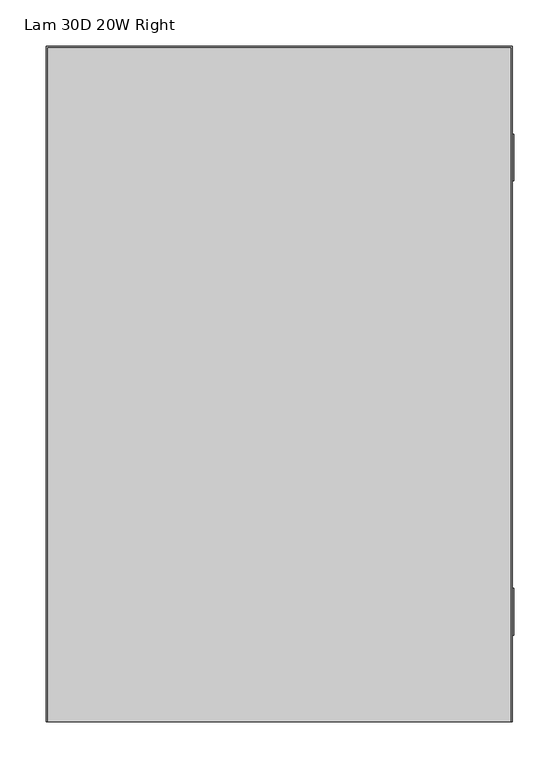
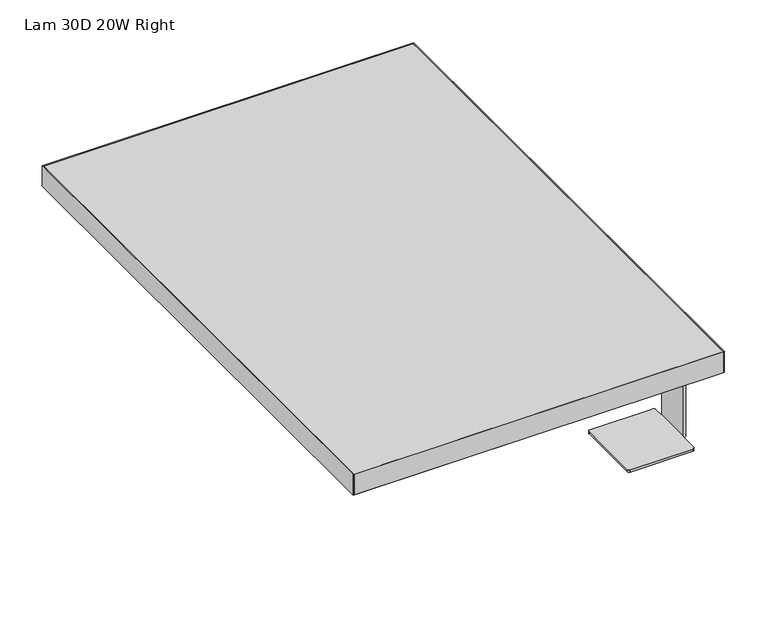
"""IFC4 building model written with IfcOpenShell, lengths in millimetres: furniture geometry, Lam 30D 20W Right."""

from ifc_helpers import new_model, si_unit, frame, origin, place, context, project, spatial, polyline, circle_curve, outline, extrude, source, transform, mapped, element, save
from ifc_brep_helpers import plane_surface, cylinder_surface, revolved_surface, advanced_brep


def lam_30d_20w_right_363a318d(model_context):
    return source(origin(), model_context, "Body", "SolidModel", [
        extrude(outline(polyline([(504.8884893, -26.9875008), (504.8884893, -757.3518008), (3.1115, -757.3518008), (3.1115, -26.9875008), (504.8884893, -26.9875008)])), frame((0.0, 0.0, 706.7263378), z_axis=(0.0, 0.0, 1.0), x_axis=(1.0, 0.0, 0.0)), (0.0, 0.0, 1.0), 29.8736864),
        extrude(outline(polyline([(1.524, -757.3518008), (1.524, -25.4000008), (506.4759893, -25.4000008), (506.4759893, -757.3518008), (1.524, -757.3518008)]), holes=[polyline([(504.8884893, -755.7643008), (504.8884893, -26.9875008), (3.1115, -26.9875008), (3.1115, -755.7643008), (504.8884893, -755.7643008)])]), frame((0.0, 0.0, 707.0090242), z_axis=(0.0, 0.0, 1.0), x_axis=(1.0, 0.0, 0.0)), (0.0, 0.0, 1.0), 29.591),
        advanced_brep(
        [(504.1645893, -171.45, 555.3710063), (508.1015893, -171.45, 559.3080063), (508.1015893, -171.45, 702.7893378), (504.1645893, -171.45, 706.7263378), (504.150075, -171.45, 702.9958242), (504.9265894, -171.45, 702.9958242), (504.9265894, -171.45, 558.5459942), (504.150075, -171.45, 558.5459942), (504.9265894, -120.650003, 558.5459942), (504.9265894, -120.650003, 702.9958242), (455.0727407, -120.650003, 702.9958242), (455.0727407, -120.650003, 706.7263378), (504.1645893, -120.650003, 706.7263378), (508.1015893, -120.650003, 702.7893378), (508.1015893, -120.650003, 559.3080063), (504.1645893, -120.650003, 555.3710063), (504.150075, -120.650003, 558.5459942), (504.150075, -107.9529029, 558.5459942), (500.9661481, -104.7691943, 558.5459942), (416.3057698, -104.775, 558.5459942), (413.1309875, -107.95, 558.5459942), (413.1309875, -196.85, 558.5459942), (416.3059875, -200.025, 558.5459942), (500.975075, -200.025, 558.5459942), (504.150075, -196.85, 558.5459942), (504.150075, -183.35498, 702.9958242), (503.3550551, -184.1500061, 702.9958242), (483.4896959, -184.1500061, 702.9958242), (482.7196461, -183.548771, 702.9958242), (479.6789899, -171.45, 702.9958242), (479.6789899, -146.3042822, 702.9958242), (473.3289892, -146.3042822, 702.9958242), (473.3289892, -171.45, 702.9958242), (470.3202644, -183.548771, 702.9958242), (469.5502147, -184.1500061, 702.9958242), (455.0887064, -184.1500061, 702.9958242), (454.2789892, -183.35625, 702.9958242), (454.2789892, -121.44375, 702.9958242), (454.2789892, -121.44375, 706.7263378), (454.2789892, -183.35625, 706.7263378), (455.0887064, -184.1500061, 706.7263378), (469.5502147, -184.1500061, 706.7263378), (470.3202644, -183.548771, 706.7263378), (473.3289892, -171.45, 706.7263378), (473.3289892, -146.3042822, 706.7263378), (479.6789899, -146.3042822, 706.7263378), (479.6789899, -171.45, 706.7263378), (482.7196461, -183.548771, 706.7263378), (483.4896959, -184.1500061, 706.7263378), (503.3550551, -184.1500061, 706.7263378), (504.150075, -183.35498, 706.7263378), (504.150075, -196.85, 555.3710063), (500.975075, -200.025, 555.3710063), (416.3059875, -200.025, 555.3710063), (413.1309875, -196.85, 555.3710063), (413.1309875, -107.95, 555.3710063), (416.3057698, -104.775, 555.3710063), (500.9661481, -104.7691943, 555.3710063), (504.150075, -107.9529029, 555.3710063)],
        [
            (0, 1, circle_curve(frame((504.1645893, -171.45, 559.3080063), z_axis=(0.0, -1.0, 0.0), x_axis=(0.0, 0.0, 1.0)), 3.937)),
            (1, 2),
            (2, 3, circle_curve(frame((504.1645893, -171.45, 702.7893378), z_axis=(0.0, -1.0, 0.0), x_axis=(0.0, 0.0, 1.0)), 3.937)),
            (3, 4),
            (4, 5),
            (5, 6),
            (6, 7),
            (7, 0),
            (8, 9),
            (9, 10),
            (10, 11),
            (11, 12),
            (12, 13, circle_curve(frame((504.1645893, -120.650003, 702.7893378), z_axis=(0.0, 1.0, 0.0), x_axis=(0.0, 0.0, 1.0)), 3.937)),
            (13, 14),
            (14, 15, circle_curve(frame((504.1645893, -120.650003, 559.3080063), z_axis=(0.0, 1.0, 0.0), x_axis=(0.0, 0.0, 1.0)), 3.937)),
            (15, 16),
            (16, 8),
            (6, 8),
            (16, 17),
            (17, 18, circle_curve(frame((500.9663664, -107.9529029, 558.5459942), z_axis=(0.0, 0.0, 1.0), x_axis=(-1.0, 0.0, 0.0)), 3.1837086)),
            (18, 19),
            (19, 20, circle_curve(frame((416.3059875, -107.95, 558.5459942), z_axis=(0.0, 0.0, 1.0), x_axis=(-1.0, 0.0, 0.0)), 3.175)),
            (20, 21),
            (21, 22, circle_curve(frame((416.3059875, -196.85, 558.5459942), z_axis=(0.0, 0.0, 1.0), x_axis=(-1.0, 0.0, 0.0)), 3.175)),
            (22, 23),
            (23, 24, circle_curve(frame((500.975075, -196.85, 558.5459942), z_axis=(0.0, 0.0, 1.0), x_axis=(-1.0, 0.0, 0.0)), 3.175)),
            (24, 7),
            (5, 9),
            (4, 25),
            (25, 26),
            (26, 27),
            (27, 28),
            (28, 29),
            (29, 30),
            (30, 31, circle_curve(frame((476.5039895, -146.3042822, 702.9958242), z_axis=(0.0, 0.0, 1.0), x_axis=(-1.0, 0.0, 0.0)), 3.1750004)),
            (31, 32),
            (32, 33),
            (33, 34),
            (34, 35),
            (35, 36),
            (36, 37),
            (37, 10),
            (11, 38),
            (38, 39),
            (39, 40),
            (40, 41),
            (41, 42),
            (42, 43),
            (43, 44),
            (44, 45, circle_curve(frame((476.5039895, -146.3042822, 706.7263378), z_axis=(0.0, 0.0, -1.0), x_axis=(-1.0, 0.0, 0.0)), 3.1750004)),
            (45, 46),
            (46, 47),
            (47, 48),
            (48, 49),
            (49, 50),
            (50, 3),
            (3, 12),
            (2, 13),
            (1, 14),
            (0, 15),
            (0, 51),
            (51, 52, circle_curve(frame((500.975075, -196.85, 555.3710063), z_axis=(0.0, 0.0, -1.0), x_axis=(-1.0, 0.0, 0.0)), 3.175)),
            (52, 53),
            (53, 54, circle_curve(frame((416.3059875, -196.85, 555.3710063), z_axis=(0.0, 0.0, -1.0), x_axis=(-1.0, 0.0, 0.0)), 3.175)),
            (54, 55),
            (55, 56, circle_curve(frame((416.3059875, -107.95, 555.3710063), z_axis=(0.0, 0.0, -1.0), x_axis=(-1.0, 0.0, 0.0)), 3.175)),
            (56, 57),
            (57, 58, circle_curve(frame((500.9663664, -107.9529029, 555.3710063), z_axis=(0.0, 0.0, -1.0), x_axis=(-1.0, 0.0, 0.0)), 3.1837086)),
            (58, 15),
            (18, 57),
            (56, 19),
            (55, 20),
            (54, 21),
            (53, 22),
            (52, 23),
            (51, 24),
            (58, 17),
            (50, 25),
            (37, 38),
            (36, 39),
            (35, 40),
            (34, 41),
            (33, 42),
            (32, 43),
            (31, 44),
            (30, 45),
            (29, 46),
            (28, 47),
            (27, 48),
            (26, 49),
        ],
        [
            plane_surface(frame((492.2265894, -171.45, 555.3710063), z_axis=(0.0, -1.0, 0.0), x_axis=(0.0, 0.0, -1.0))),
            plane_surface(frame((492.2265894, -120.650003, 555.3710063), z_axis=(0.0, 1.0, 0.0), x_axis=(0.0, 0.0, 1.0))),
            plane_surface(frame((504.9265894, -171.45, 558.5459942), z_axis=(0.0, 0.0, 1.0), x_axis=(0.0, 1.0, 0.0))),
            plane_surface(frame((504.9265894, -171.45, 702.9958242), z_axis=(-1.0, 0.0, 0.0), x_axis=(0.0, 1.0, 0.0))),
            plane_surface(frame((492.2265894, -171.45, 702.9958242), z_axis=(0.0, 0.0, -1.0), x_axis=(0.0, 1.0, 0.0))),
            plane_surface(frame((504.1645893, -171.45, 706.7263378), z_axis=(-1.2472292751600584e-12, 0.0, 1.0), x_axis=(0.0, 1.0, 0.0))),
            cylinder_surface(frame((504.1645893, -120.650003, 702.7893378), z_axis=(0.0, -1.0, 0.0), x_axis=(0.0, 0.0, 1.0)), 3.937),
            plane_surface(frame((508.1015893, -171.45, 559.3080063), z_axis=(1.0, 0.0, 0.0), x_axis=(0.0, 1.0, 0.0))),
            cylinder_surface(frame((504.1645893, -120.650003, 559.3080063), z_axis=(0.0, -1.0, 0.0), x_axis=(0.0, 0.0, 1.0)), 3.937),
            plane_surface(frame((492.2265894, -171.45, 555.3710063), z_axis=(0.0, 0.0, -1.0), x_axis=(0.0, 1.0, 0.0))),
            plane_surface(frame((500.9661481, -104.7691943, 558.5459942), z_axis=(-6.85765793453914e-05, 0.9999999976486265, 0.0), x_axis=(0.0, 0.0, -1.0))),
            cylinder_surface(frame((416.3059875, -107.95, 555.3710063), z_axis=(0.0, 0.0, 1.0), x_axis=(-1.0, 0.0, 0.0)), 3.175),
            plane_surface(frame((413.1309875, -107.95, 558.5459942), z_axis=(-1.0, 0.0, 0.0), x_axis=(0.0, 0.0, -1.0))),
            cylinder_surface(frame((416.3059875, -196.85, 555.3710063), z_axis=(0.0, 0.0, 1.0), x_axis=(-1.0, 0.0, 0.0)), 3.175),
            plane_surface(frame((416.3059875, -200.025, 558.5459942), z_axis=(0.0, -1.0, 0.0), x_axis=(0.0, 0.0, -1.0))),
            cylinder_surface(frame((500.975075, -196.85, 555.3710063), z_axis=(0.0, 0.0, 1.0), x_axis=(-1.0, 0.0, 0.0)), 3.175),
            plane_surface(frame((504.150075, -196.85, 558.5459942), z_axis=(1.0, 0.0, 0.0), x_axis=(0.0, 0.0, -1.0))),
            plane_surface(frame((504.150075, -120.650003, 558.5459942), z_axis=(1.0, 0.0, 0.0), x_axis=(0.0, 0.0, -1.0))),
            cylinder_surface(frame((500.9663664, -107.9529029, 555.3710063), z_axis=(0.0, 0.0, 1.0), x_axis=(-1.0, 0.0, 0.0)), 3.1837086),
            plane_surface(frame((504.150075, -183.35498, 706.7263378), z_axis=(1.0, 0.0, 0.0), x_axis=(0.0, 0.0, -1.0))),
            plane_surface(frame((455.0727407, -120.650003, 706.7263378), z_axis=(-0.7071047581329958, 0.7071088042343114, 0.0), x_axis=(0.0, 0.0, -1.0))),
            plane_surface(frame((454.2789892, -121.44375, 706.7263378), z_axis=(-1.0, 0.0, 0.0), x_axis=(0.0, 0.0, -1.0))),
            plane_surface(frame((454.2789892, -183.35625, 706.7263378), z_axis=(-0.7000334660081797, -0.7141100380673658, 0.0), x_axis=(0.0, 0.0, -1.0))),
            plane_surface(frame((455.0887064, -184.1500061, 706.7263378), z_axis=(0.0, -1.0, 0.0), x_axis=(0.0, 0.0, -1.0))),
            plane_surface(frame((469.5502147, -184.1500061, 706.7263378), z_axis=(0.6154112116971221, -0.7882062170000185, 0.0), x_axis=(0.0, 0.0, -1.0))),
            plane_surface(frame((470.3202644, -183.548771, 706.7263378), z_axis=(0.9704431145428508, -0.24132998453646706, 0.0), x_axis=(0.0, 0.0, -1.0))),
            plane_surface(frame((473.3289892, -171.45, 706.7263378), z_axis=(1.0, 0.0, 0.0), x_axis=(0.0, 0.0, -1.0))),
            revolved_surface(polyline([(473.3289891, -146.3042822, 702.9958242), (473.3289891, -146.3042822, 706.7263378)]), (476.5039895, -146.3042822, 702.9958242), (0.0, 0.0, -1.0)),
            plane_surface(frame((479.6789899, -146.3042822, 706.7263378), z_axis=(-1.0, 0.0, 0.0), x_axis=(0.0, 0.0, -1.0))),
            plane_surface(frame((479.6789899, -171.45, 706.7263378), z_axis=(-0.9698406620150964, -0.24373980040633414, 0.0), x_axis=(0.0, 0.0, -1.0))),
            plane_surface(frame((482.7196461, -183.548771, 706.7263378), z_axis=(-0.6154112116971866, -0.7882062169999681, 0.0), x_axis=(0.0, 0.0, -1.0))),
            plane_surface(frame((483.4896959, -184.1500061, 706.7263378), z_axis=(0.0, -1.0, 0.0), x_axis=(0.0, 0.0, -1.0))),
            plane_surface(frame((503.3550551, -184.1500061, 706.7263378), z_axis=(0.7071094996427767, -0.7071040627198674, 0.0), x_axis=(0.0, 0.0, -1.0))),
        ],
        [
            (0, [[1, 2, 3, 4, 5, 6, 7, 8]]),
            (1, [[9, 10, 11, 12, 13, 14, 15, 16, 17]]),
            (2, [[18, -17, 19, 20, 21, 22, 23, 24, 25, 26, 27, -7]]),
            (3, [[-6, 28, -9, -18]]),
            (4, [[-10, -28, -5, 29, 30, 31, 32, 33, 34, 35, 36, 37, 38, 39, 40, 41, 42]]),
            (5, [[-12, 43, 44, 45, 46, 47, 48, 49, 50, 51, 52, 53, 54, 55, 56, 57]]),
            (6, [[-3, 58, -13, -57]]),
            (7, [[-2, 59, -14, -58]]),
            (8, [[-1, 60, -15, -59]]),
            (9, [[-60, 61, 62, 63, 64, 65, 66, 67, 68, 69]]),
            (10, [[-21, 70, -67, 71]]),
            (11, [[-22, -71, -66, 72]]),
            (12, [[-23, -72, -65, 73]]),
            (13, [[-24, -73, -64, 74]]),
            (14, [[-25, -74, -63, 75]]),
            (15, [[-26, -75, -62, 76]]),
            (16, [[-27, -76, -61, -8]]),
            (17, [[-19, -16, -69, 77]]),
            (18, [[-20, -77, -68, -70]]),
            (19, [[-56, 78, -29, -4]]),
            (20, [[-43, -11, -42, 79]]),
            (21, [[-44, -79, -41, 80]]),
            (22, [[-45, -80, -40, 81]]),
            (23, [[-46, -81, -39, 82]]),
            (24, [[-47, -82, -38, 83]]),
            (25, [[-48, -83, -37, 84]]),
            (26, [[-49, -84, -36, 85]]),
            (27, [[-50, -85, -35, 86]]),
            (28, [[-51, -86, -34, 87]]),
            (29, [[-52, -87, -33, 88]]),
            (30, [[-53, -88, -32, 89]]),
            (31, [[-54, -89, -31, 90]]),
            (32, [[-55, -90, -30, -78]]),
        ],
    ),
        advanced_brep(
        [(416.3059875, -692.2769787, 558.5459942), (500.9218446, -692.2769787, 558.5459942), (504.0968333, -689.1104453, 558.5459942), (504.1645893, -663.7019787, 558.5459942), (504.9265894, -663.7019787, 558.5459942), (504.9265894, -612.9020271, 558.5459942), (504.1645893, -612.9020271, 558.5459942), (504.1645893, -600.2019787, 558.5459942), (500.9895893, -597.0269787, 558.5459942), (416.3059875, -597.0269787, 558.5459942), (413.1309875, -600.2019787, 558.5459942), (413.1309875, -689.1019787, 558.5459942), (504.1645893, -676.4020029, 702.9958242), (482.8539984, -676.4020029, 702.9958242), (479.6789899, -663.7019787, 702.9958242), (479.6789899, -638.6130375, 702.9958242), (473.3289892, -638.6130375, 702.9958242), (473.3289892, -663.7019787, 702.9958242), (470.1539807, -676.4020029, 702.9958242), (455.0727407, -676.4020029, 702.9958242), (454.2789892, -675.6082287, 702.9958242), (454.2789892, -613.6957786, 702.9958242), (455.0727407, -612.9020271, 702.9958242), (504.9265894, -612.9020271, 702.9958242), (504.9265894, -663.7019787, 702.9958242), (504.1645893, -663.7019787, 702.9958242), (455.0727407, -612.9020271, 706.7263378), (454.2789892, -613.6957786, 706.7263378), (454.2789892, -675.6082287, 706.7263378), (455.0727407, -676.4020029, 706.7263378), (470.1539807, -676.4020029, 706.7263378), (473.3289892, -663.7019787, 706.7263378), (473.3289892, -638.6130375, 706.7263378), (479.6789899, -638.6130375, 706.7263378), (479.6789899, -663.7019787, 706.7263378), (482.8539984, -676.4020029, 706.7263378), (504.1645893, -676.4020029, 706.7263378), (504.1645893, -663.7019787, 706.7263378), (504.1645893, -612.9020271, 706.7263378), (416.3059875, -692.2769787, 555.3710063), (413.1309875, -689.1019787, 555.3710063), (413.1309875, -600.2019787, 555.3710063), (416.3059875, -597.0269787, 555.3710063), (500.9895893, -597.0269787, 555.3710063), (504.1645893, -600.2019787, 555.3710063), (504.1645893, -612.9020271, 555.3710063), (504.1645893, -663.7019787, 555.3710063), (504.0968333, -689.1104453, 555.3710063), (500.9218446, -692.2769787, 555.3710063), (508.1015893, -663.7019787, 559.3080063), (508.1015893, -663.7019787, 702.7893378), (508.1015893, -612.9020271, 702.7893378), (508.1015893, -612.9020271, 559.3080063)],
        [
            (0, 1),
            (1, 2, circle_curve(frame((500.9218446, -689.1019787, 558.5459942), z_axis=(0.0, 0.0, 1.0), x_axis=(-1.0, 0.0, 0.0)), 3.175)),
            (2, 3),
            (3, 4),
            (4, 5),
            (5, 6),
            (6, 7),
            (7, 8, circle_curve(frame((500.9895893, -600.2019787, 558.5459942), z_axis=(0.0, 0.0, 1.0), x_axis=(-1.0, 0.0, 0.0)), 3.175)),
            (8, 9),
            (9, 10, circle_curve(frame((416.3059875, -600.2019787, 558.5459942), z_axis=(0.0, 0.0, 1.0), x_axis=(-1.0, 0.0, 0.0)), 3.175)),
            (10, 11),
            (11, 0, circle_curve(frame((416.3059875, -689.1019787, 558.5459942), z_axis=(0.0, 0.0, 1.0), x_axis=(-1.0, 0.0, 0.0)), 3.175)),
            (12, 13),
            (13, 14),
            (14, 15),
            (15, 16, circle_curve(frame((476.5039895, -638.6130375, 702.9958242), z_axis=(0.0, 0.0, 1.0), x_axis=(-1.0, 0.0, 0.0)), 3.1750004)),
            (16, 17),
            (17, 18),
            (18, 19),
            (19, 20),
            (20, 21),
            (21, 22),
            (22, 23),
            (23, 24),
            (24, 25),
            (25, 12),
            (26, 27),
            (27, 28),
            (28, 29),
            (29, 30),
            (30, 31),
            (31, 32),
            (32, 33, circle_curve(frame((476.5039895, -638.6130375, 706.7263378), z_axis=(0.0, 0.0, -1.0), x_axis=(-1.0, 0.0, 0.0)), 3.1750004)),
            (33, 34),
            (34, 35),
            (35, 36),
            (36, 37),
            (37, 38),
            (38, 26),
            (39, 40, circle_curve(frame((416.3059875, -689.1019787, 555.3710063), z_axis=(0.0, 0.0, -1.0), x_axis=(-1.0, 0.0, 0.0)), 3.175)),
            (40, 41),
            (41, 42, circle_curve(frame((416.3059875, -600.2019787, 555.3710063), z_axis=(0.0, 0.0, -1.0), x_axis=(-1.0, 0.0, 0.0)), 3.175)),
            (42, 43),
            (43, 44, circle_curve(frame((500.9895893, -600.2019787, 555.3710063), z_axis=(0.0, 0.0, -1.0), x_axis=(-1.0, 0.0, 0.0)), 3.175)),
            (44, 45),
            (45, 46),
            (46, 47),
            (47, 48, circle_curve(frame((500.9218446, -689.1019787, 555.3710063), z_axis=(0.0, 0.0, -1.0), x_axis=(-1.0, 0.0, 0.0)), 3.175)),
            (48, 39),
            (0, 39),
            (48, 1),
            (47, 2),
            (46, 3),
            (6, 45),
            (44, 7),
            (43, 8),
            (42, 9),
            (41, 10),
            (40, 11),
            (46, 49, circle_curve(frame((504.1645893, -663.7019787, 559.3080063), z_axis=(0.0, -1.0, 0.0), x_axis=(-1.0, 0.0, 0.0)), 3.937)),
            (49, 50),
            (50, 37, circle_curve(frame((504.1645893, -663.7019787, 702.7893378), z_axis=(0.0, -1.0, 0.0), x_axis=(-1.0, 0.0, 0.0)), 3.937)),
            (37, 25),
            (24, 4),
            (5, 23),
            (22, 26),
            (38, 51, circle_curve(frame((504.1645893, -612.9020271, 702.7893378), z_axis=(0.0, 1.0, 0.0), x_axis=(-1.0, 0.0, 0.0)), 3.937)),
            (51, 52),
            (52, 45, circle_curve(frame((504.1645893, -612.9020271, 559.3080063), z_axis=(0.0, 1.0, 0.0), x_axis=(-1.0, 0.0, 0.0)), 3.937)),
            (50, 51),
            (49, 52),
            (36, 12),
            (21, 27),
            (20, 28),
            (19, 29),
            (18, 30),
            (17, 31),
            (16, 32),
            (15, 33),
            (14, 34),
            (13, 35),
        ],
        [
            plane_surface(frame((504.9265894, -171.45, 558.5459942), z_axis=(0.0, 0.0, 1.0), x_axis=(0.0, 1.0, 0.0))),
            plane_surface(frame((492.2265894, -171.45, 702.9958242), z_axis=(0.0, 0.0, -1.0), x_axis=(0.0, 1.0, 0.0))),
            plane_surface(frame((504.1645893, -171.45, 706.7263378), z_axis=(-1.2472292751600584e-12, 0.0, 1.0), x_axis=(0.0, 1.0, 0.0))),
            plane_surface(frame((492.2265894, -171.45, 555.3710063), z_axis=(0.0, 0.0, -1.0), x_axis=(0.0, 1.0, 0.0))),
            plane_surface(frame((416.3059875, -692.2769787, 558.5459942), z_axis=(0.0, -1.0, 0.0), x_axis=(0.0, 0.0, -1.0))),
            cylinder_surface(frame((500.9218446, -689.1019787, 555.3710063), z_axis=(0.0, 0.0, 1.0), x_axis=(-1.0, 0.0, 0.0)), 3.175),
            plane_surface(frame((504.0968333, -689.1104453, 558.5459942), z_axis=(0.9999964444528092, -0.0026666611595366255, 0.0), x_axis=(0.0, 0.0, -1.0))),
            plane_surface(frame((504.1645893, -612.9020271, 558.5459942), z_axis=(1.0, 0.0, 0.0), x_axis=(0.0, 0.0, -1.0))),
            cylinder_surface(frame((500.9895893, -600.2019787, 555.3710063), z_axis=(0.0, 0.0, 1.0), x_axis=(-1.0, 0.0, 0.0)), 3.175),
            plane_surface(frame((500.9895893, -597.0269787, 558.5459942), z_axis=(0.0, 1.0, 0.0), x_axis=(0.0, 0.0, -1.0))),
            cylinder_surface(frame((416.3059875, -600.2019787, 555.3710063), z_axis=(0.0, 0.0, 1.0), x_axis=(-1.0, 0.0, 0.0)), 3.175),
            plane_surface(frame((413.1309875, -600.2019787, 558.5459942), z_axis=(-1.0, 0.0, 0.0), x_axis=(0.0, 0.0, -1.0))),
            cylinder_surface(frame((416.3059875, -689.1019787, 555.3710063), z_axis=(0.0, 0.0, 1.0), x_axis=(-1.0, 0.0, 0.0)), 3.175),
            plane_surface(frame((492.2265894, -663.7019787, 555.3710063), z_axis=(0.0, -1.0, 0.0), x_axis=(0.0, 0.0, -1.0))),
            plane_surface(frame((492.2265894, -612.9020271, 555.3710063), z_axis=(0.0, 1.0, 0.0), x_axis=(0.0, 0.0, 1.0))),
            plane_surface(frame((504.9265894, -663.7019787, 702.9958242), z_axis=(-1.0, 0.0, 0.0), x_axis=(0.0, 1.0, 0.0))),
            cylinder_surface(frame((504.1645893, -612.9020271, 702.7893378), z_axis=(0.0, -1.0, 0.0), x_axis=(-1.0, 0.0, 0.0)), 3.937),
            plane_surface(frame((508.1015893, -663.7019787, 559.3080063), z_axis=(1.0, 0.0, 0.0), x_axis=(0.0, 1.0, 0.0))),
            cylinder_surface(frame((504.1645893, -612.9020271, 559.3080063), z_axis=(0.0, -1.0, 0.0), x_axis=(-1.0, 0.0, 0.0)), 3.937),
            plane_surface(frame((504.1645893, -676.4020029, 706.7263378), z_axis=(1.0, 0.0, 0.0), x_axis=(0.0, 0.0, -1.0))),
            plane_surface(frame((455.0727407, -612.9020271, 706.7263378), z_axis=(-0.7071067811870901, 0.7071067811860049, 0.0), x_axis=(0.0, 0.0, -1.0))),
            plane_surface(frame((454.2789892, -613.6957786, 706.7263378), z_axis=(-1.0, 0.0, 0.0), x_axis=(0.0, 0.0, -1.0))),
            plane_surface(frame((454.2789892, -675.6082287, 706.7263378), z_axis=(-0.7071168961938211, -0.7070966660345789, 0.0), x_axis=(0.0, 0.0, -1.0))),
            plane_surface(frame((455.0727407, -676.4020029, 706.7263378), z_axis=(0.0, -1.0, 0.0), x_axis=(0.0, 0.0, -1.0))),
            plane_surface(frame((470.1539807, -676.4020029, 706.7263378), z_axis=(0.9701424572992402, -0.24253579642063577, 0.0), x_axis=(0.0, 0.0, -1.0))),
            plane_surface(frame((473.3289892, -663.7019787, 706.7263378), z_axis=(1.0, 0.0, 0.0), x_axis=(0.0, 0.0, -1.0))),
            revolved_surface(polyline([(473.3289891, -638.6130375, 702.9958242), (473.3289891, -638.6130375, 706.7263378)]), (476.5039895, -638.6130375, 555.3710063), (0.0, 0.0, -1.0)),
            plane_surface(frame((479.6789899, -638.6130375, 706.7263378), z_axis=(-1.0, 0.0, 0.0), x_axis=(0.0, 0.0, -1.0))),
            plane_surface(frame((479.6789899, -663.7019787, 706.7263378), z_axis=(-0.9701424572993107, -0.24253579642035356, 0.0), x_axis=(0.0, 0.0, -1.0))),
            plane_surface(frame((482.8539984, -676.4020029, 706.7263378), z_axis=(0.0, -1.0, 0.0), x_axis=(0.0, 0.0, -1.0))),
        ],
        [
            (0, [[1, 2, 3, 4, 5, 6, 7, 8, 9, 10, 11, 12]]),
            (1, [[13, 14, 15, 16, 17, 18, 19, 20, 21, 22, 23, 24, 25, 26]]),
            (2, [[27, 28, 29, 30, 31, 32, 33, 34, 35, 36, 37, 38, 39]]),
            (3, [[40, 41, 42, 43, 44, 45, 46, 47, 48, 49]]),
            (4, [[-1, 50, -49, 51]]),
            (5, [[-2, -51, -48, 52]]),
            (6, [[-3, -52, -47, 53]]),
            (7, [[-7, 54, -45, 55]]),
            (8, [[-8, -55, -44, 56]]),
            (9, [[-9, -56, -43, 57]]),
            (10, [[-10, -57, -42, 58]]),
            (11, [[-11, -58, -41, 59]]),
            (12, [[-12, -59, -40, -50]]),
            (13, [[60, 61, 62, 63, -25, 64, -4, -53]]),
            (14, [[65, -23, 66, -39, 67, 68, 69, -54, -6]]),
            (15, [[-64, -24, -65, -5]]),
            (16, [[-62, 70, -67, -38]]),
            (17, [[-61, 71, -68, -70]]),
            (18, [[-60, -46, -69, -71]]),
            (19, [[72, -26, -63, -37]]),
            (20, [[-27, -66, -22, 73]]),
            (21, [[-28, -73, -21, 74]]),
            (22, [[-29, -74, -20, 75]]),
            (23, [[-30, -75, -19, 76]]),
            (24, [[-31, -76, -18, 77]]),
            (25, [[-32, -77, -17, 78]]),
            (26, [[-33, -78, -16, 79]]),
            (27, [[-34, -79, -15, 80]]),
            (28, [[-35, -80, -14, 81]]),
            (29, [[-36, -81, -13, -72]]),
        ],
    ),
    ])


if __name__ == "__main__":
    model = new_model("IFC4")
    model_context = context("Model", 3, world=origin())
    ifc_project = project(units=[si_unit("LENGTHUNIT", "METRE", prefix="MILLI")], contexts=[model_context])
    site = spatial("IfcSite", under=ifc_project)
    building = spatial("IfcBuilding", under=site)
    placement = place(None, origin())
    lam_30d_20w_right_shape = lam_30d_20w_right_363a318d(model_context)
    element("IfcFurniture", 1, ObjectType="Lam 30D 20W Right", at=placement, inside=building, context=model_context, shape_type="MappedRepresentation", body=[
        mapped(lam_30d_20w_right_shape, transform((0.0, 0.0, 0.0), x_axis=(1.0, 0.0, 0.0), y_axis=(0.0, 1.0, 0.0), z_axis=(0.0, 0.0, 1.0))),
    ])
    save(model, "model.ifc")
